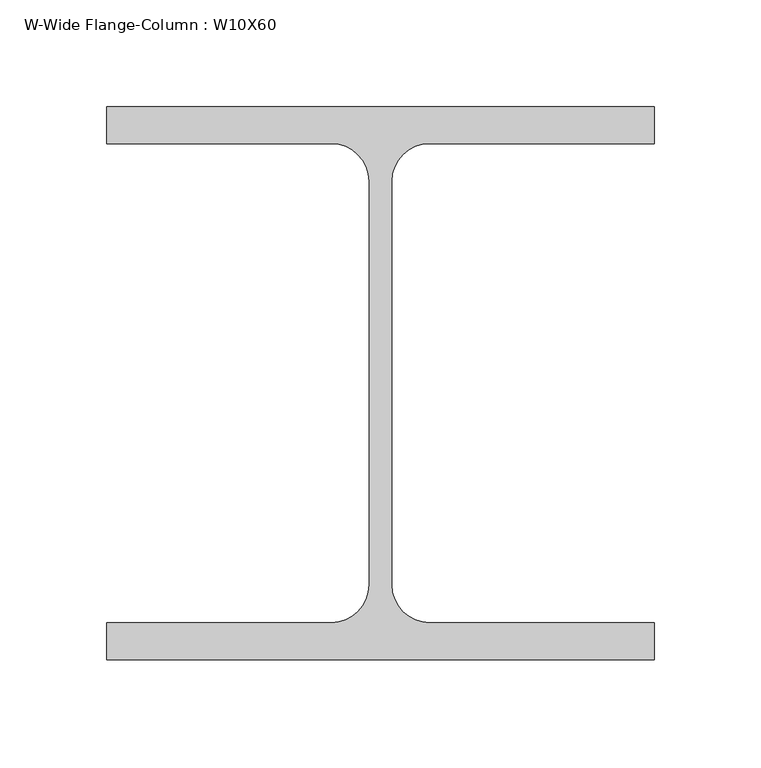
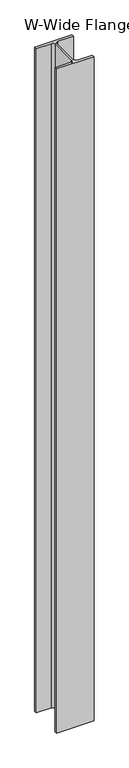
"""IFC4 building model written with IfcOpenShell, lengths in millimetres: column geometry, W-Wide Flange-Column : W10X60."""

from ifc_helpers import new_model, si_unit, point, frame, frame_2d, origin, place, context, project, spatial, polyline, circle_curve, trimmed, segment, composite_curve, outline, extrude, source, transform, mapped, element, save


def w_wide_flange_column_w10x60_b5d74e57(model_context):
    return source(origin(), model_context, "Body", "SweptSolid", [
        extrude(outline(composite_curve([segment(polyline([(128.27, 129.54), (128.27, 112.268), (22.987, 112.268)]), True, "CONTINUOUS"), segment(trimmed(circle_curve(frame_2d((22.987, 94.615)), 17.653), [point((22.987, 112.268))], [point((5.334, 94.615))], True, "CARTESIAN"), True, "CONTINUOUS"), segment(polyline([(5.334, 94.615), (5.334, -94.615)]), True, "CONTINUOUS"), segment(trimmed(circle_curve(frame_2d((22.987, -94.615)), 17.653), [point((5.334, -94.615))], [point((22.987, -112.268))], True, "CARTESIAN"), True, "CONTINUOUS"), segment(polyline([(22.987, -112.268), (128.27, -112.268), (128.27, -129.54), (-128.27, -129.54), (-128.27, -112.268), (-22.987, -112.268)]), True, "CONTINUOUS"), segment(trimmed(circle_curve(frame_2d((-22.987, -94.615)), 17.653), [point((-22.987, -112.268))], [point((-5.334, -94.615))], True, "CARTESIAN"), True, "CONTINUOUS"), segment(polyline([(-5.334, -94.615), (-5.334, 94.615)]), True, "CONTINUOUS"), segment(trimmed(circle_curve(frame_2d((-22.987, 94.615)), 17.653), [point((-5.334, 94.615))], [point((-22.987, 112.268))], True, "CARTESIAN"), True, "CONTINUOUS"), segment(polyline([(-22.987, 112.268), (-128.27, 112.268), (-128.27, 129.54), (128.27, 129.54)]), True, "CONTINUOUS")], self_intersect=False)), frame((0.0, 0.0, -304.8), z_axis=(0.0, 0.0, 1.0), x_axis=(1.0, 0.0, 0.0)), (0.0, 0.0, 1.0), 4813.3),
    ])


if __name__ == "__main__":
    model = new_model("IFC4")
    model_context = context("Model", 3, world=origin())
    ifc_project = project(units=[si_unit("LENGTHUNIT", "METRE", prefix="MILLI")], contexts=[model_context])
    site = spatial("IfcSite", under=ifc_project)
    building = spatial("IfcBuilding", under=site)
    placement = place(None, origin())
    w_wide_flange_column_w10x60_shape = w_wide_flange_column_w10x60_b5d74e57(model_context)
    element("IfcColumn", 1, ObjectType="W-Wide Flange-Column : W10X60", at=placement, inside=building, context=model_context, shape_type="MappedRepresentation", body=[
        mapped(w_wide_flange_column_w10x60_shape, transform((0.0, 0.0, 0.0), x_axis=(1.0, 0.0, 0.0), y_axis=(0.0, 1.0, 0.0), z_axis=(0.0, 0.0, 1.0))),
    ])
    save(model, "model.ifc")
